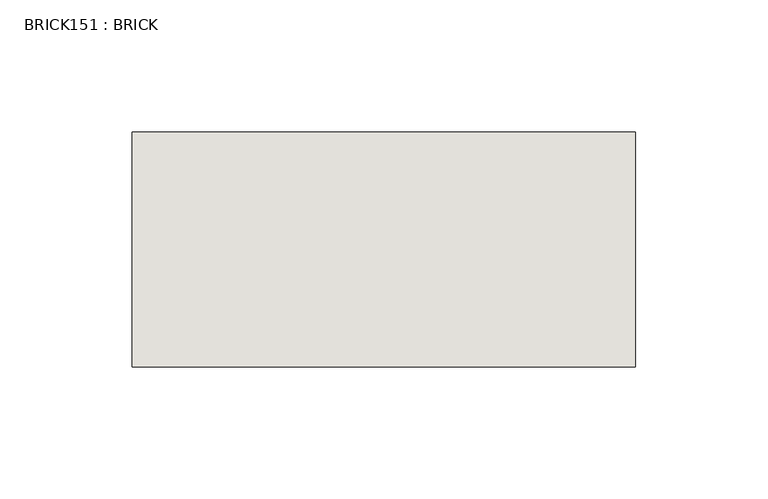
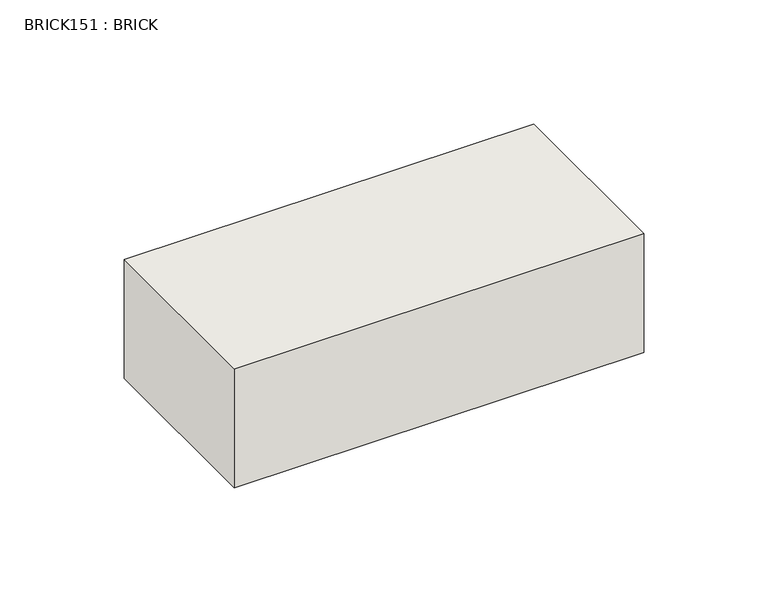
"""IFC4 building model written with IfcOpenShell, lengths in millimetres: wall geometry, BRICK151 : BRICK."""

from ifc_helpers import new_model, si_unit, frame, origin, place, context, project, spatial, polyline, outline, extrude, source, transform, mapped, element, save


def brick151_brick_d601ceec(model_context):
    return source(origin(), model_context, "Body", "SweptSolid", [
        extrude(outline(polyline([(-181.1469289, 2586.2274125), (9.3530711, 2586.2274125), (9.3530711, 2497.3274125), (-181.1469289, 2497.3274125), (-181.1469289, 2586.2274125)])), frame((0.0, 0.0, 353.7148438), z_axis=(0.0, 0.0, 1.0), x_axis=(1.0, 0.0, 0.0)), (0.0, 0.0, 1.0), 58.4398437),
    ])


if __name__ == "__main__":
    model = new_model("IFC4")
    model_context = context("Model", 3, world=origin())
    ifc_project = project(units=[si_unit("LENGTHUNIT", "METRE", prefix="MILLI")], contexts=[model_context])
    site = spatial("IfcSite", under=ifc_project)
    building = spatial("IfcBuilding", under=site)
    placement = place(None, origin())
    brick151_brick_shape = brick151_brick_d601ceec(model_context)
    element("IfcWall", 1, ObjectType="BRICK151 : BRICK", at=placement, inside=building, context=model_context, shape_type="MappedRepresentation", body=[
        mapped(brick151_brick_shape, transform((0.0, 0.0, 0.0), x_axis=(1.0, 0.0, 0.0), y_axis=(0.0, 1.0, 0.0), z_axis=(0.0, 0.0, 1.0))),
    ])
    save(model, "model.ifc")
